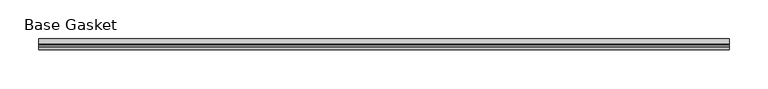
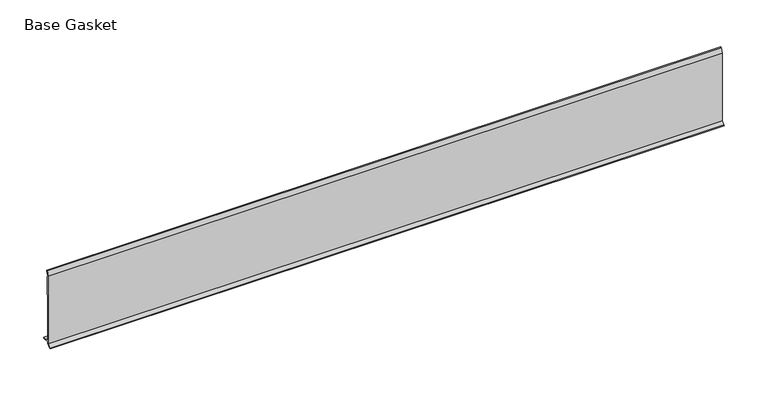
"""IFC4 building model written with IfcOpenShell, lengths in millimetres: furniture geometry, Base Gasket."""

import ifcopenshell
import ifcopenshell.guid

model = None  # the IFC model being written
_history = None  # IfcOwnerHistory: only IFC2X3 demands one
_inside = {}  # id of a spatial element -> (the spatial element, [elements in it])
_under = {}  # id of a project, library or spatial element -> (it, [spatial elements below it])
_declared = {}  # id of a project -> (the project, [libraries it declares])
_typed = {}  # id of a type object -> (the type object, [elements of that type])
_made_of = {}  # id of a material, layer set ... -> (it, [elements and type objects made of it])


def new_model(schema):
    """Start an empty IFC model of exactly this schema.

    Asked for "IFC4X3", IfcOpenShell would pick the latest addendum, in which some entities
    have other attributes; the version numbers below select the first issue.
    IFC2X3 requires an IfcOwnerHistory on every rooted entity: one is made here for all.
    """
    global model, _history
    if schema == "IFC4X3":
        model = ifcopenshell.file(schema_version=(4, 3, 0, 0))
    else:
        model = ifcopenshell.file(schema=schema)
    _inside.clear()
    _under.clear()
    _declared.clear()
    _typed.clear()
    _made_of.clear()
    _history = None
    if model.schema == "IFC2X3":
        org = make("IfcOrganization", Name="unknown")
        user = make(
            "IfcPersonAndOrganization",
            ThePerson=make("IfcPerson", FamilyName="unknown"),
            TheOrganization=org,
        )
        app = make(
            "IfcApplication",
            ApplicationDeveloper=org,
            Version="unknown",
            ApplicationFullName="unknown",
            ApplicationIdentifier="unknown",
        )
        _history = make(
            "IfcOwnerHistory",
            OwningUser=user,
            OwningApplication=app,
            ChangeAction="ADDED",
            CreationDate=0,
        )
    return model


def make(cls, **values):
    """One entity of the class cls with the attributes given. An attribute that is None is left unset."""
    return model.create_entity(
        cls, **{name: value for name, value in values.items() if value is not None}
    )


def rooted(cls, **values):
    """An entity with a GlobalId (a new one), such as an element, a storey or a relation."""
    return make(cls, GlobalId=ifcopenshell.guid.new(), OwnerHistory=_history, **values)


def si_unit(unit_type, name, prefix=None):
    """IfcSIUnit, for example si_unit("LENGTHUNIT", "METRE", prefix="MILLI")."""
    return make("IfcSIUnit", UnitType=unit_type, Prefix=prefix, Name=name)


def assignment(units):
    """IfcUnitAssignment: the units of a project."""
    return None if units is None else make("IfcUnitAssignment", Units=units)


def point(xyz):
    """IfcCartesianPoint."""
    return None if xyz is None else make("IfcCartesianPoint", Coordinates=xyz)


def direction(xyz):
    """IfcDirection."""
    return None if xyz is None else make("IfcDirection", DirectionRatios=xyz)


def frame(location, z_axis=None, x_axis=None):
    """IfcAxis2Placement3D, a coordinate frame: its origin and axes. An axis left out is left unset."""
    return make(
        "IfcAxis2Placement3D",
        Location=point(location),
        Axis=direction(z_axis),
        RefDirection=direction(x_axis),
    )


def origin():
    """The frame at (0, 0, 0) with its axes left unset."""
    return frame((0.0, 0.0, 0.0))


def place(relative_to, where):
    """IfcLocalPlacement: puts the frame where relative to a parent placement (None: the world)."""
    return make(
        "IfcLocalPlacement", PlacementRelTo=relative_to, RelativePlacement=where
    )


def context(
    kind, dimensions, precision=None, world=None, true_north=None, identifier=None
):
    """IfcGeometricRepresentationContext, for example the 3D "Model" context."""
    return make(
        "IfcGeometricRepresentationContext",
        ContextIdentifier=identifier,
        ContextType=kind,
        CoordinateSpaceDimension=dimensions,
        Precision=precision,
        WorldCoordinateSystem=world,
        TrueNorth=true_north,
    )


def project(units=None, contexts=None):
    """IfcProject with its units and contexts."""
    return rooted(
        "IfcProject",
        Name="project",
        RepresentationContexts=contexts,
        UnitsInContext=assignment(units),
    )


def spatial(cls, under=None, at=None, **own):
    """A site, building, storey or space (cls), placed at a placement, below another one or the project."""
    s = rooted(cls, ObjectPlacement=at, **own)
    if under is not None:
        _under.setdefault(under.id(), (under, []))[1].append(s)
    return s


def polyline(points):
    """IfcPolyline through the points."""
    return make("IfcPolyline", Points=[point(p) for p in points])


def outline(outer, holes=None, kind="AREA"):
    """IfcArbitraryClosedProfileDef: a profile drawn as a closed curve; with holes, ...WithVoids."""
    if holes is None:
        return make("IfcArbitraryClosedProfileDef", ProfileType=kind, OuterCurve=outer)
    return make(
        "IfcArbitraryProfileDefWithVoids",
        ProfileType=kind,
        OuterCurve=outer,
        InnerCurves=holes,
    )


def extrude(swept, where, along, depth):
    """IfcExtrudedAreaSolid: the profile swept, set in the frame where, extruded along a direction by depth."""
    return make(
        "IfcExtrudedAreaSolid",
        SweptArea=swept,
        Position=where,
        ExtrudedDirection=direction(along),
        Depth=depth,
    )


def shape(context_of_items, identifier, shape_type, items):
    """IfcShapeRepresentation: the items that make up one representation, for example the "Body"."""
    return make(
        "IfcShapeRepresentation",
        ContextOfItems=context_of_items,
        RepresentationIdentifier=identifier,
        RepresentationType=shape_type,
        Items=items,
    )


def source(mapping_origin, context_of_items, identifier, shape_type, items):
    """IfcRepresentationMap: a shape defined once, which mapped items show again and again."""
    return make(
        "IfcRepresentationMap",
        MappingOrigin=mapping_origin,
        MappedRepresentation=shape(context_of_items, identifier, shape_type, items),
    )


def transform(
    local_origin,
    x_axis=None,
    y_axis=None,
    z_axis=None,
    scale=None,
    scale2=None,
    scale3=None,
    uniform=True,
):
    """IfcCartesianTransformationOperator3D, or its non-uniform kind. x_axis, y_axis, z_axis: its Axis1, 2, 3."""
    if uniform:
        return make(
            "IfcCartesianTransformationOperator3D",
            Axis1=direction(x_axis),
            Axis2=direction(y_axis),
            LocalOrigin=point(local_origin),
            Scale=scale,
            Axis3=direction(z_axis),
        )
    return make(
        "IfcCartesianTransformationOperator3DnonUniform",
        Axis1=direction(x_axis),
        Axis2=direction(y_axis),
        LocalOrigin=point(local_origin),
        Scale=scale,
        Axis3=direction(z_axis),
        Scale2=scale2,
        Scale3=scale3,
    )


def mapped(mapping_source, mapping_target):
    """IfcMappedItem: shows the shape of a source again, moved by a transform."""
    return make(
        "IfcMappedItem", MappingSource=mapping_source, MappingTarget=mapping_target
    )


def made_of(thing, what):
    """Note that an element or type object is made of a material, layer set ...; save() writes the relation."""
    if what is not None:
        _made_of.setdefault(what.id(), (what, []))[1].append(thing)
    return thing


def element(
    cls,
    number,
    at=None,
    inside=None,
    cuts=None,
    type_object=None,
    material=None,
    context=None,
    identifier="Body",
    shape_type=None,
    held_by="IfcProductDefinitionShape",
    body=None,
    shapes=None,
    **own,
):
    """One element of the class cls, such as IfcWall. Its Tag is "e" and its number.

    at: its placement. inside: the storey or other place that contains it. cuts: it is an
    opening in that element (IfcRelVoidsElement). A single representation is given by context,
    identifier, shape_type and body (its items); several are given by shapes. held_by: the class
    of the entity that holds the representations. save() writes the other relations.
    """
    e = rooted(cls, Tag="e%d" % number, ObjectPlacement=at, **own)
    if body is not None:
        shapes = [shape(context, identifier, shape_type, body)]
    if shapes is not None:
        e.Representation = make(held_by, Representations=shapes)
    if inside is not None:
        _inside.setdefault(inside.id(), (inside, []))[1].append(e)
    if cuts is not None:
        rooted(
            "IfcRelVoidsElement", RelatingBuildingElement=cuts, RelatedOpeningElement=e
        )
    if type_object is not None:
        _typed.setdefault(type_object.id(), (type_object, []))[1].append(e)
    return made_of(e, material)


def aggregate(whole, parts):
    """IfcRelAggregates: a whole, such as a stair, and the parts it consists of."""
    return rooted("IfcRelAggregates", RelatingObject=whole, RelatedObjects=parts)


def save(model, path):
    """Write the relations noted so far, then the file.

    IfcRelAggregates (storeys below a building ...), IfcRelContainedInSpatialStructure (elements
    in a storey), IfcRelDefinesByType, IfcRelAssociatesMaterial and IfcRelDeclares: one each for
    every whole, place, type object, material and project.
    """
    for whole, parts in _under.values():
        aggregate(whole, parts)
    for where, things in _inside.values():
        rooted(
            "IfcRelContainedInSpatialStructure",
            RelatedElements=things,
            RelatingStructure=where,
        )
    for kind, things in _typed.values():
        rooted("IfcRelDefinesByType", RelatedObjects=things, RelatingType=kind)
    for what, things in _made_of.values():
        rooted("IfcRelAssociatesMaterial", RelatedObjects=things, RelatingMaterial=what)
    for by, libraries in _declared.values():
        rooted("IfcRelDeclares", RelatingContext=by, RelatedDefinitions=libraries)
    model.write(path)


def base_gasket_700f3613(model_context):
    return source(origin(), model_context, "Body", "SweptSolid", [
        extrude(outline(polyline([(-3.7283812, 98.4568417), (-1.1891543, 104.587663), (-0.6755308, 105.2002997), (-0.6755308, 104.4162708), (-2.2043812, 98.4568417), (-2.2043812, 96.8693477), (-1.4106313, 96.8693477), (-1.4106313, 71.4693447), (-2.2043812, 71.4693447), (-2.2043812, 7.9398773), (6.2405171, 7.9398773), (6.2405171, 6.3818476), (-2.1334222, 6.3818476), (-2.2043812, 4.3498477), (-6.8281054, 0.3520979), (-7.8482342, 0.0), (-7.4222115, 0.6560174), (-3.7283812, 4.3498477), (-3.7283812, 98.4568417)])), frame((-1527.8982117, 0.0, 0.0), z_axis=(1.0, 0.0, 0.0), x_axis=(0.0, 1.0, 0.0)), (0.0, 0.0, 1.0), 886.9023403),
    ])


if __name__ == "__main__":
    model = new_model("IFC4")
    model_context = context("Model", 3, world=origin())
    ifc_project = project(units=[si_unit("LENGTHUNIT", "METRE", prefix="MILLI")], contexts=[model_context])
    site = spatial("IfcSite", under=ifc_project)
    building = spatial("IfcBuilding", under=site)
    placement = place(None, origin())
    base_gasket_shape = base_gasket_700f3613(model_context)
    element("IfcFurniture", 1, ObjectType="Base Gasket", at=placement, inside=building, context=model_context, shape_type="MappedRepresentation", body=[
        mapped(base_gasket_shape, transform((0.0, 0.0, 0.0), x_axis=(1.0, 0.0, 0.0), y_axis=(0.0, 1.0, 0.0), z_axis=(0.0, 0.0, 1.0))),
    ])
    save(model, "model.ifc")
